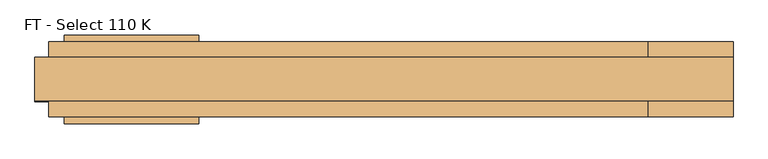
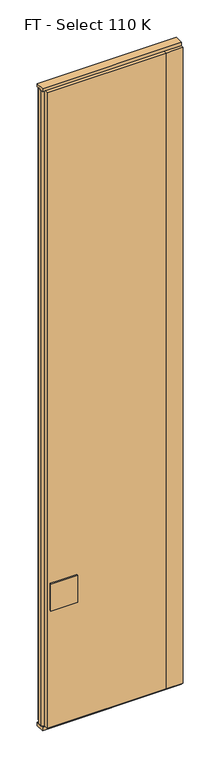
"""IFC4 building model written with IfcOpenShell, lengths in millimetres: door geometry, FT - Select 110 K."""

from ifc_helpers import new_model, si_unit, frame, origin, origin_with_axes, place, context, project, spatial, polyline, outline, extrude, source, transform, mapped, element, save


def ft_select_110_k_ad01669a(model_context):
    return source(origin(), model_context, "Body", "SweptSolid", [
        extrude(outline(polyline([(387.5, 55.0), (387.5, 23.0), (407.5, 17.6410162), (407.5, -17.6410162), (387.5, -23.0), (387.5, -55.0), (-492.5, -55.0), (-492.5, -23.0), (-512.5, -17.6410162), (-512.5, 17.6410162), (-492.5, 23.0), (-492.5, 55.0), (387.5, 55.0)])), frame((0.0, 0.0, 25.0), z_axis=(0.0, 0.0, 1.0), x_axis=(1.0, 0.0, 0.0)), (0.0, 0.0, 1.0), 4950.0),
        extrude(outline(polyline([(-272.2719698, -65.0), (-469.2719698, -65.0), (-469.2719698, -55.0), (-272.2719698, -55.0), (-272.2719698, -65.0)])), frame((0.0, 0.0, 934.0), z_axis=(0.0, 0.0, 1.0), x_axis=(1.0, 0.0, 0.0)), (0.0, 0.0, 1.0), 212.0),
        extrude(outline(polyline([(-272.2719698, 55.0), (-469.2719698, 55.0), (-469.2719698, 65.0), (-272.2719698, 65.0), (-272.2719698, 55.0)])), frame((0.0, 0.0, 934.0), z_axis=(0.0, 0.0, 1.0), x_axis=(1.0, 0.0, 0.0)), (0.0, 0.0, 1.0), 212.0),
        extrude(outline(polyline([(387.5, -55.0), (387.5, -23.0), (407.5, -17.6410162), (407.5, 17.6410162), (387.5, 23.0), (387.5, 55.0), (512.5, 55.0), (512.5, -55.0), (387.5, -55.0)])), frame((0.0, 0.0, 25.0), z_axis=(0.0, 0.0, 1.0), x_axis=(1.0, 0.0, 0.0)), (0.0, 0.0, 1.0), 4950.0),
        extrude(outline(polyline([(512.5, 32.0), (512.5, -32.0), (-512.5, -32.0), (-512.5, 32.0), (512.5, 32.0)])), origin_with_axes(), (0.0, 0.0, 1.0), 25.0),
        extrude(outline(polyline([(512.5, 32.0), (512.5, -32.0), (-512.5, -32.0), (-512.5, 32.0), (512.5, 32.0)])), frame((0.0, 0.0, 4975.0), z_axis=(0.0, 0.0, 1.0), x_axis=(1.0, 0.0, 0.0)), (0.0, 0.0, 1.0), 25.0),
    ])


if __name__ == "__main__":
    model = new_model("IFC4")
    model_context = context("Model", 3, world=origin())
    ifc_project = project(units=[si_unit("LENGTHUNIT", "METRE", prefix="MILLI")], contexts=[model_context])
    site = spatial("IfcSite", under=ifc_project)
    building = spatial("IfcBuilding", under=site)
    placement = place(None, origin())
    ft_select_110_k_shape = ft_select_110_k_ad01669a(model_context)
    element("IfcDoor", 1, ObjectType="FT - Select 110 K", at=placement, inside=building, context=model_context, shape_type="MappedRepresentation", body=[
        mapped(ft_select_110_k_shape, transform((0.0, 0.0, 0.0), x_axis=(1.0, 0.0, 0.0), y_axis=(0.0, 1.0, 0.0), z_axis=(0.0, 0.0, 1.0))),
    ])
    save(model, "model.ifc")
